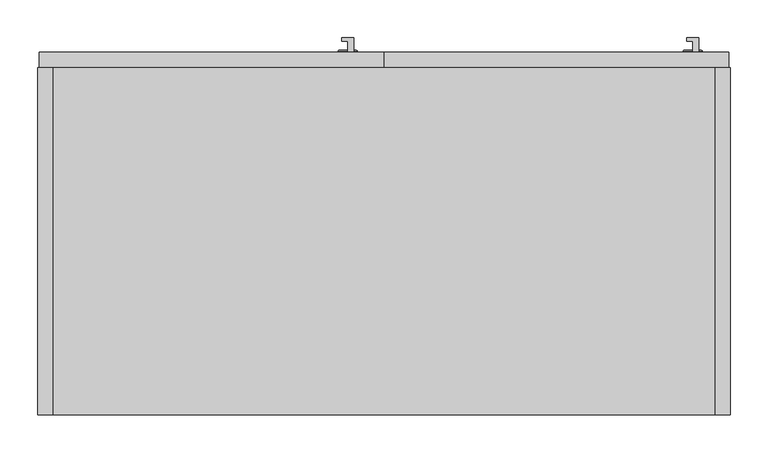
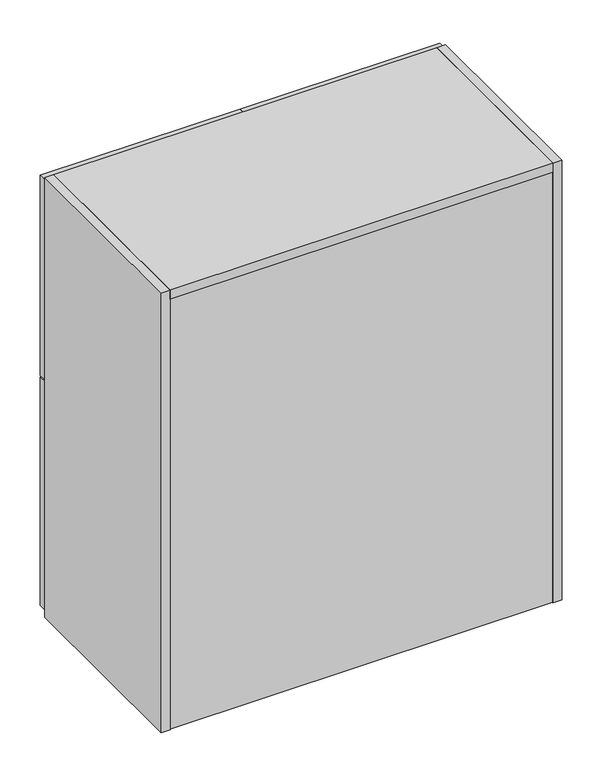
"""IFC4 building model written with IfcOpenShell, lengths in millimetres: furniture geometry."""

from ifc_helpers import new_model, si_unit, point, frame, origin, origin_with_axes, place, context, project, spatial, polyline, circle_curve, ellipse_curve, trimmed, outline, extrude, source, transform, mapped, element, save
from ifc_brep_helpers import plane_surface, cylinder_surface, revolved_surface, advanced_brep


def furniture_210d0396(model_context):
    return source(origin(), model_context, "Body", "SolidModel", [
        advanced_brep(
        [(409.194, 482.092, 698.281222), (409.194, 482.092, 709.6204089), (409.194, 482.092, 720.9595958), (409.194, 480.7311869, 696.9204089), (409.194, 480.7311869, 722.3204089), (409.194, 479.552, 696.9204089), (409.194, 479.552, 722.3204089), (409.194, 479.552, 709.6204089)],
        [
            (0, 1),
            (1, 2),
            (2, 0, circle_curve(frame((409.194, 482.092, 709.6204089), z_axis=(0.0, 1.0, 0.0), x_axis=(0.0, 0.0, 1.0)), 11.3391869)),
            (0, 2, circle_curve(frame((409.194, 482.092, 709.6204089), z_axis=(0.0, 1.0, 0.0), x_axis=(0.0, 0.0, 1.0)), 11.3391869)),
            (3, 0, circle_curve(frame((409.194, 480.7311869, 698.281222), z_axis=(1.0, 0.0, 0.0), x_axis=(0.0, 1.0, 0.0)), 1.3608131)),
            (2, 4, circle_curve(frame((409.194, 480.7311869, 720.9595958), z_axis=(1.0, 0.0, 0.0), x_axis=(0.0, 1.0, 0.0)), 1.3608131)),
            (4, 3, circle_curve(frame((409.194, 480.7311869, 709.6204089), z_axis=(0.0, 1.0, 0.0), x_axis=(0.0, 0.0, 1.0)), 12.7)),
            (3, 4, circle_curve(frame((409.194, 480.7311869, 709.6204089), z_axis=(0.0, 1.0, 0.0), x_axis=(0.0, 0.0, 1.0)), 12.7)),
            (5, 3),
            (4, 6),
            (6, 5, circle_curve(frame((409.194, 479.552, 709.6204089), z_axis=(0.0, 1.0, 0.0), x_axis=(0.0, 0.0, 1.0)), 12.7)),
            (5, 6, circle_curve(frame((409.194, 479.552, 709.6204089), z_axis=(0.0, 1.0, 0.0), x_axis=(0.0, 0.0, 1.0)), 12.7)),
            (7, 5),
            (6, 7),
        ],
        [
            plane_surface(frame((409.194, 482.092, 709.6204089), z_axis=(0.0, 1.0, 0.0), x_axis=(0.0, 0.0, 1.0))),
            revolved_surface(trimmed(ellipse_curve(frame((409.194, 480.7311869, 720.9595958), z_axis=(1.0, 0.0, 0.0), x_axis=(0.0, 1.0, 0.0)), 1.3608131, 1.3608131), [point((409.194, 482.092, 720.9595958))], [point((409.194, 480.7311869, 722.3204089))], True, "CARTESIAN"), (409.194, 552.4232944, 709.6204089), (0.0, -1.0, 0.0)),
            cylinder_surface(frame((409.194, 552.4232944, 709.6204089), z_axis=(0.0, -1.0, 0.0), x_axis=(0.0, 0.0, 1.0)), 12.7),
            plane_surface(frame((409.194, 479.552, 709.6204089), z_axis=(0.0, -1.0, 0.0), x_axis=(0.0, 0.0, 1.0))),
        ],
        [
            (0, [[1, 2, 3]]),
            (0, [[-2, -1, 4]]),
            (1, [[5, -3, 6, 7]]),
            (1, [[-6, -4, -5, 8]]),
            (2, [[9, -7, 10, 11]]),
            (2, [[-10, -8, -9, 12]]),
            (3, [[13, -11, 14]]),
            (3, [[-14, -12, -13]]),
        ],
    ),
        extrude(outline(polyline([(417.2869926, 479.552), (409.194, 479.552), (409.194, 494.112998), (401.2999347, 494.112998), (401.2999347, 498.6758872), (417.2869926, 498.6758872), (417.2869926, 479.552)])), frame((0.0, 0.0, 741.3704089), z_axis=(0.0, 0.0, 1.0), x_axis=(1.0, 0.0, 0.0)), (0.0, 0.0, 1.0), 146.0341822),
        advanced_brep(
        [(409.194, 482.092, 252.193722), (409.194, 482.092, 263.5329089), (409.194, 482.092, 274.8720958), (409.194, 480.7311869, 250.8329089), (409.194, 480.7311869, 276.2329089), (409.194, 479.552, 250.8329089), (409.194, 479.552, 276.2329089), (409.194, 479.552, 263.5329089)],
        [
            (0, 1),
            (1, 2),
            (2, 0, circle_curve(frame((409.194, 482.092, 263.5329089), z_axis=(0.0, 1.0, 0.0), x_axis=(0.0, 0.0, 1.0)), 11.3391869)),
            (0, 2, circle_curve(frame((409.194, 482.092, 263.5329089), z_axis=(0.0, 1.0, 0.0), x_axis=(0.0, 0.0, 1.0)), 11.3391869)),
            (3, 0, circle_curve(frame((409.194, 480.7311869, 252.193722), z_axis=(1.0, 0.0, 0.0), x_axis=(0.0, 1.0, 0.0)), 1.3608131)),
            (2, 4, circle_curve(frame((409.194, 480.7311869, 274.8720958), z_axis=(1.0, 0.0, 0.0), x_axis=(0.0, 1.0, 0.0)), 1.3608131)),
            (4, 3, circle_curve(frame((409.194, 480.7311869, 263.5329089), z_axis=(0.0, 1.0, 0.0), x_axis=(0.0, 0.0, 1.0)), 12.7)),
            (3, 4, circle_curve(frame((409.194, 480.7311869, 263.5329089), z_axis=(0.0, 1.0, 0.0), x_axis=(0.0, 0.0, 1.0)), 12.7)),
            (5, 3),
            (4, 6),
            (6, 5, circle_curve(frame((409.194, 479.552, 263.5329089), z_axis=(0.0, 1.0, 0.0), x_axis=(0.0, 0.0, 1.0)), 12.7)),
            (5, 6, circle_curve(frame((409.194, 479.552, 263.5329089), z_axis=(0.0, 1.0, 0.0), x_axis=(0.0, 0.0, 1.0)), 12.7)),
            (7, 5),
            (6, 7),
        ],
        [
            plane_surface(frame((409.194, 482.092, 263.5329089), z_axis=(0.0, 1.0, 0.0), x_axis=(0.0, 0.0, 1.0))),
            revolved_surface(trimmed(ellipse_curve(frame((409.194, 480.7311869, 274.8720958), z_axis=(1.0, 0.0, 0.0), x_axis=(0.0, 1.0, 0.0)), 1.3608131, 1.3608131), [point((409.194, 482.092, 274.8720958))], [point((409.194, 480.7311869, 276.2329089))], True, "CARTESIAN"), (409.194, 552.4232944, 263.5329089), (0.0, -1.0, 0.0)),
            cylinder_surface(frame((409.194, 552.4232944, 263.5329089), z_axis=(0.0, -1.0, 0.0), x_axis=(0.0, 0.0, 1.0)), 12.7),
            plane_surface(frame((409.194, 479.552, 263.5329089), z_axis=(0.0, -1.0, 0.0), x_axis=(0.0, 0.0, 1.0))),
        ],
        [
            (0, [[1, 2, 3]]),
            (0, [[-2, -1, 4]]),
            (1, [[5, -3, 6, 7]]),
            (1, [[-6, -4, -5, 8]]),
            (2, [[9, -7, 10, 11]]),
            (2, [[-10, -8, -9, 12]]),
            (3, [[13, -11, 14]]),
            (3, [[-14, -12, -13]]),
        ],
    ),
        extrude(outline(polyline([(417.2869926, 479.552), (409.194, 479.552), (409.194, 494.112998), (401.2999347, 494.112998), (401.2999347, 498.6758872), (417.2869926, 498.6758872), (417.2869926, 479.552)])), frame((0.0, 0.0, 295.2829089), z_axis=(0.0, 0.0, 1.0), x_axis=(1.0, 0.0, 0.0)), (0.0, 0.0, 1.0), 146.0341822),
        advanced_brep(
        [(864.87, 482.092, 698.281222), (864.87, 482.092, 709.6204089), (864.87, 482.092, 720.9595958), (864.87, 480.7311869, 696.9204089), (864.87, 480.7311869, 722.3204089), (864.87, 479.552, 696.9204089), (864.87, 479.552, 722.3204089), (864.87, 479.552, 709.6204089)],
        [
            (0, 1),
            (1, 2),
            (2, 0, circle_curve(frame((864.87, 482.092, 709.6204089), z_axis=(0.0, 1.0, 0.0), x_axis=(0.0, 0.0, 1.0)), 11.3391869)),
            (0, 2, circle_curve(frame((864.87, 482.092, 709.6204089), z_axis=(0.0, 1.0, 0.0), x_axis=(0.0, 0.0, 1.0)), 11.3391869)),
            (3, 0, circle_curve(frame((864.87, 480.7311869, 698.281222), z_axis=(1.0, 0.0, 0.0), x_axis=(0.0, 1.0, 0.0)), 1.3608131)),
            (2, 4, circle_curve(frame((864.87, 480.7311869, 720.9595958), z_axis=(1.0, 0.0, 0.0), x_axis=(0.0, 1.0, 0.0)), 1.3608131)),
            (4, 3, circle_curve(frame((864.87, 480.7311869, 709.6204089), z_axis=(0.0, 1.0, 0.0), x_axis=(0.0, 0.0, 1.0)), 12.7)),
            (3, 4, circle_curve(frame((864.87, 480.7311869, 709.6204089), z_axis=(0.0, 1.0, 0.0), x_axis=(0.0, 0.0, 1.0)), 12.7)),
            (5, 3),
            (4, 6),
            (6, 5, circle_curve(frame((864.87, 479.552, 709.6204089), z_axis=(0.0, 1.0, 0.0), x_axis=(0.0, 0.0, 1.0)), 12.7)),
            (5, 6, circle_curve(frame((864.87, 479.552, 709.6204089), z_axis=(0.0, 1.0, 0.0), x_axis=(0.0, 0.0, 1.0)), 12.7)),
            (7, 5),
            (6, 7),
        ],
        [
            plane_surface(frame((864.87, 482.092, 709.6204089), z_axis=(0.0, 1.0, 0.0), x_axis=(0.0, 0.0, 1.0))),
            revolved_surface(trimmed(ellipse_curve(frame((864.87, 480.7311869, 720.9595958), z_axis=(1.0, 0.0, 0.0), x_axis=(0.0, 1.0, 0.0)), 1.3608131, 1.3608131), [point((864.87, 482.092, 720.9595958))], [point((864.87, 480.7311869, 722.3204089))], True, "CARTESIAN"), (864.87, 552.4232944, 709.6204089), (0.0, -1.0, 0.0)),
            cylinder_surface(frame((864.87, 552.4232944, 709.6204089), z_axis=(0.0, -1.0, 0.0), x_axis=(0.0, 0.0, 1.0)), 12.7),
            plane_surface(frame((864.87, 479.552, 709.6204089), z_axis=(0.0, -1.0, 0.0), x_axis=(0.0, 0.0, 1.0))),
        ],
        [
            (0, [[1, 2, 3]]),
            (0, [[-2, -1, 4]]),
            (1, [[5, -3, 6, 7]]),
            (1, [[-6, -4, -5, 8]]),
            (2, [[9, -7, 10, 11]]),
            (2, [[-10, -8, -9, 12]]),
            (3, [[13, -11, 14]]),
            (3, [[-14, -12, -13]]),
        ],
    ),
        extrude(outline(polyline([(872.9629926, 479.552), (864.87, 479.552), (864.87, 494.112998), (856.9759347, 494.112998), (856.9759347, 498.6758872), (872.9629926, 498.6758872), (872.9629926, 479.552)])), frame((0.0, 0.0, 741.3704089), z_axis=(0.0, 0.0, 1.0), x_axis=(1.0, 0.0, 0.0)), (0.0, 0.0, 1.0), 146.0341822),
        advanced_brep(
        [(864.87, 482.092, 252.193722), (864.87, 482.092, 263.5329089), (864.87, 482.092, 274.8720958), (864.87, 480.7311869, 250.8329089), (864.87, 480.7311869, 276.2329089), (864.87, 479.552, 250.8329089), (864.87, 479.552, 276.2329089), (864.87, 479.552, 263.5329089)],
        [
            (0, 1),
            (1, 2),
            (2, 0, circle_curve(frame((864.87, 482.092, 263.5329089), z_axis=(0.0, 1.0, 0.0), x_axis=(0.0, 0.0, 1.0)), 11.3391869)),
            (0, 2, circle_curve(frame((864.87, 482.092, 263.5329089), z_axis=(0.0, 1.0, 0.0), x_axis=(0.0, 0.0, 1.0)), 11.3391869)),
            (3, 0, circle_curve(frame((864.87, 480.7311869, 252.193722), z_axis=(1.0, 0.0, 0.0), x_axis=(0.0, 1.0, 0.0)), 1.3608131)),
            (2, 4, circle_curve(frame((864.87, 480.7311869, 274.8720958), z_axis=(1.0, 0.0, 0.0), x_axis=(0.0, 1.0, 0.0)), 1.3608131)),
            (4, 3, circle_curve(frame((864.87, 480.7311869, 263.5329089), z_axis=(0.0, 1.0, 0.0), x_axis=(0.0, 0.0, 1.0)), 12.7)),
            (3, 4, circle_curve(frame((864.87, 480.7311869, 263.5329089), z_axis=(0.0, 1.0, 0.0), x_axis=(0.0, 0.0, 1.0)), 12.7)),
            (5, 3),
            (4, 6),
            (6, 5, circle_curve(frame((864.87, 479.552, 263.5329089), z_axis=(0.0, 1.0, 0.0), x_axis=(0.0, 0.0, 1.0)), 12.7)),
            (5, 6, circle_curve(frame((864.87, 479.552, 263.5329089), z_axis=(0.0, 1.0, 0.0), x_axis=(0.0, 0.0, 1.0)), 12.7)),
            (7, 5),
            (6, 7),
        ],
        [
            plane_surface(frame((864.87, 482.092, 263.5329089), z_axis=(0.0, 1.0, 0.0), x_axis=(0.0, 0.0, 1.0))),
            revolved_surface(trimmed(ellipse_curve(frame((864.87, 480.7311869, 274.8720958), z_axis=(1.0, 0.0, 0.0), x_axis=(0.0, 1.0, 0.0)), 1.3608131, 1.3608131), [point((864.87, 482.092, 274.8720958))], [point((864.87, 480.7311869, 276.2329089))], True, "CARTESIAN"), (864.87, 552.4232944, 263.5329089), (0.0, -1.0, 0.0)),
            cylinder_surface(frame((864.87, 552.4232944, 263.5329089), z_axis=(0.0, -1.0, 0.0), x_axis=(0.0, 0.0, 1.0)), 12.7),
            plane_surface(frame((864.87, 479.552, 263.5329089), z_axis=(0.0, -1.0, 0.0), x_axis=(0.0, 0.0, 1.0))),
        ],
        [
            (0, [[1, 2, 3]]),
            (0, [[-2, -1, 4]]),
            (1, [[5, -3, 6, 7]]),
            (1, [[-6, -4, -5, 8]]),
            (2, [[9, -7, 10, 11]]),
            (2, [[-10, -8, -9, 12]]),
            (3, [[13, -11, 14]]),
            (3, [[-14, -12, -13]]),
        ],
    ),
        extrude(outline(polyline([(872.9629926, 479.552), (864.87, 479.552), (864.87, 494.112998), (856.9759347, 494.112998), (856.9759347, 498.6758872), (872.9629926, 498.6758872), (872.9629926, 479.552)])), frame((0.0, 0.0, 295.2829089), z_axis=(0.0, 0.0, 1.0), x_axis=(1.0, 0.0, 0.0)), (0.0, 0.0, 1.0), 146.0341822),
        extrude(outline(polyline([(457.2, 459.1557568), (457.2, 479.552), (912.876, 479.552), (912.876, 459.1557568), (457.2, 459.1557568)])), frame((0.0, 0.0, 569.849), z_axis=(0.0, 0.0, 1.0), x_axis=(1.0, 0.0, 0.0)), (0.0, 0.0, 1.0), 482.981),
        extrude(outline(polyline([(912.876, 479.552), (912.876, 459.1557568), (457.2, 459.1557568), (457.2, 479.552), (912.876, 479.552)])), frame((0.0, 0.0, 15.24), z_axis=(0.0, 0.0, 1.0), x_axis=(1.0, 0.0, 0.0)), (0.0, 0.0, 1.0), 551.561),
        extrude(outline(polyline([(457.2, 479.552), (457.2, 459.1557568), (1.524, 459.1557568), (1.524, 479.552), (457.2, 479.552)])), frame((0.0, 0.0, 569.849), z_axis=(0.0, 0.0, 1.0), x_axis=(1.0, 0.0, 0.0)), (0.0, 0.0, 1.0), 482.981),
        extrude(outline(polyline([(457.2, 479.552), (457.2, 459.1557568), (1.524, 459.1557568), (1.524, 479.552), (457.2, 479.552)])), frame((0.0, 0.0, 15.24), z_axis=(0.0, 0.0, 1.0), x_axis=(1.0, 0.0, 0.0)), (0.0, 0.0, 1.0), 551.561),
        extrude(outline(polyline([(0.0, 1038.86), (0.0, 1060.45), (459.1557568, 1060.45), (459.1557568, 76.2), (457.6317568, 76.2), (457.6317568, 0.0), (1.524, 0.0), (1.524, 1038.86), (0.0, 1038.86)])), frame((20.32, 0.0, 0.0), z_axis=(1.0, 0.0, 0.0), x_axis=(0.0, 1.0, 0.0)), (0.0, 0.0, 1.0), 873.76),
        extrude(outline(polyline([(20.32, 0.0), (0.0, 0.0), (0.0, 459.1557568), (20.32, 459.1557568), (20.32, 0.0)])), origin_with_axes(), (0.0, 0.0, 1.0), 1060.45),
        extrude(outline(polyline([(894.08, 459.1557568), (914.4, 459.1557568), (914.4, 0.0), (894.08, 0.0), (894.08, 459.1557568)])), origin_with_axes(), (0.0, 0.0, 1.0), 1060.45),
    ])


if __name__ == "__main__":
    model = new_model("IFC4")
    model_context = context("Model", 3, world=origin())
    ifc_project = project(units=[si_unit("LENGTHUNIT", "METRE", prefix="MILLI")], contexts=[model_context])
    site = spatial("IfcSite", under=ifc_project)
    building = spatial("IfcBuilding", under=site)
    placement = place(None, origin())
    furniture_shape = furniture_210d0396(model_context)
    element("IfcFurniture", 1, at=placement, inside=building, context=model_context, shape_type="MappedRepresentation", body=[
        mapped(furniture_shape, transform((0.0, 0.0, 0.0), x_axis=(1.0, 0.0, 0.0), y_axis=(0.0, 1.0, 0.0), z_axis=(0.0, 0.0, 1.0))),
    ])
    save(model, "model.ifc")
